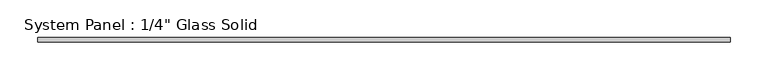
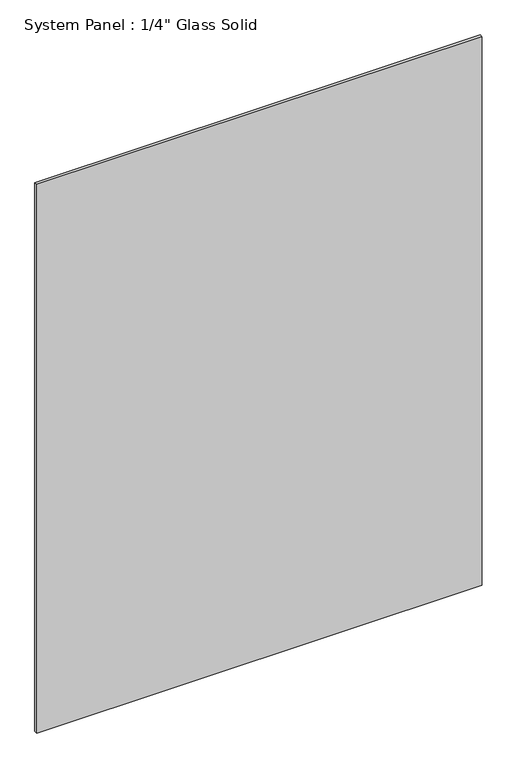
"""IFC4 building model written with IfcOpenShell, lengths in millimetres: plate geometry."""

from ifc_helpers import new_model, si_unit, origin, origin_with_axes, place, context, project, spatial, polyline, outline, extrude, source, transform, mapped, element, save


def plate_ad9d7afe(model_context):
    return source(origin(), model_context, "Body", "SweptSolid", [
        extrude(outline(polyline([(460.9555865, -3.175), (-460.9555865, -3.175), (-460.9555865, 3.175), (460.9555865, 3.175), (460.9555865, -3.175)])), origin_with_axes(), (0.0, 0.0, 1.0), 1200.1517704),
    ])


if __name__ == "__main__":
    model = new_model("IFC4")
    model_context = context("Model", 3, world=origin())
    ifc_project = project(units=[si_unit("LENGTHUNIT", "METRE", prefix="MILLI")], contexts=[model_context])
    site = spatial("IfcSite", under=ifc_project)
    building = spatial("IfcBuilding", under=site)
    placement = place(None, origin())
    plate_shape = plate_ad9d7afe(model_context)
    element("IfcPlate", 1, ObjectType="System Panel : 1/4\" Glass Solid", at=placement, inside=building, context=model_context, shape_type="MappedRepresentation", body=[
        mapped(plate_shape, transform((0.0, 0.0, 0.0), x_axis=(1.0, 0.0, 0.0), y_axis=(0.0, 1.0, 0.0), z_axis=(0.0, 0.0, 1.0))),
    ])
    save(model, "model.ifc")
